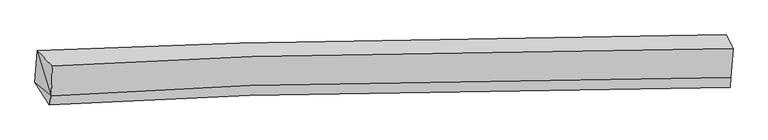
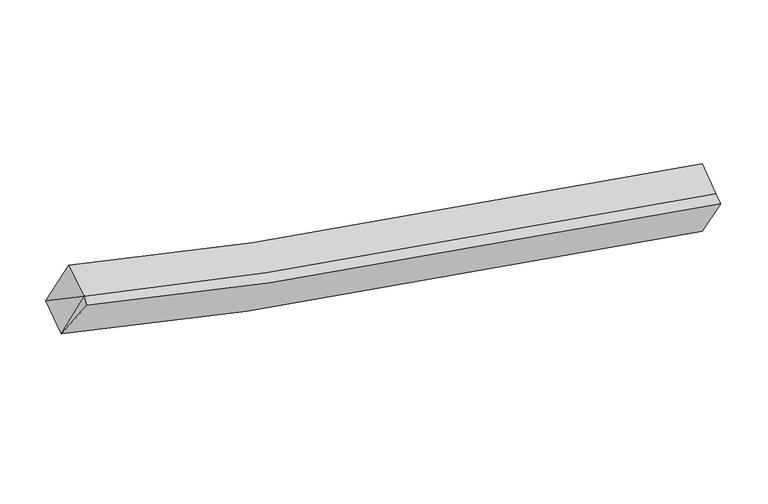
"""IFC4 building model written with IfcOpenShell, lengths in millimetres: proxy geometry."""

from ifc_helpers import new_model, si_unit, frame, origin, place, context, project, spatial, source, transform, mapped, element, save
from ifc_brep_helpers import plane_surface, spline_curve, spline_surface, advanced_brep


def generic_models_57127d8a(model_context):
    return source(origin(), model_context, "Body", "AdvancedBrep", [
        advanced_brep(
        [(-3597.4939919, -1777.6567492, 3744.004531), (-3382.5093015, -2004.3366296, 4380.1568507), (6438.6630733, -1748.2958222, 2423.427513), (6341.5614623, -1548.824886, 1743.374915), (-3395.2334118, -2434.9908765, 4140.420712), (6406.2677268, -2167.0736716, 2202.4357537), (-3425.8516734, -2564.6277578, 4084.4876259), (6395.3468142, -2308.249389, 2127.9364215), (-3633.2689148, -2240.1227156, 3499.958272), (6308.2973273, -1978.8336489, 1516.4565305)],
        [
            (0, 1),
            (1, 2, spline_curve(3, [(-3382.5093015, -2004.3366296, 4380.1568507), (-2426.016511949, -1949.203167294, 4116.105109193), (-1465.12073832, -1902.914661866, 3872.979285842), (1788.268069768, -1776.717024641, 3124.089184757), (4101.096421071, -1737.658594676, 2714.97189564), (6438.6630733, -1748.2958222, 2423.427513)], [4, 2, 4], [0.0, 9.820952923090468, 33.099989051019854])),
            (2, 3),
            (3, 0, spline_curve(3, [(6341.5614623, -1548.824886, 1743.374915), (3975.358910009, -1555.900769406, 2029.239705564), (1634.598233533, -1595.728723331, 2443.909856823), (-1657.506584685, -1698.928786064, 3216.66665757), (-2629.764392433, -1735.37812041, 3468.873045095), (-3597.4939919, -1777.6567492, 3744.004531)], [4, 2, 4], [0.0, 23.279036127929388, 33.099989051019854])),
            (1, 4),
            (4, 5, spline_curve(3, [(-3395.2334118, -2434.9908765, 4140.420712), (-2447.243223207, -2374.724017175, 3884.470951251), (-1492.904528096, -2324.476712516, 3647.593254199), (1744.941747788, -2188.895359514, 2913.513362221), (4057.770099313, -2149.836929457, 2504.396072719), (6406.2677268, -2167.0736716, 2202.4357537)], [4, 2, 4], [0.0, 9.749250035478658, 32.85832565914092])),
            (5, 2),
            (4, 6),
            (6, 7, spline_curve(3, [(-3425.8516734, -2564.6277578, 4084.4876259), (-2469.347597198, -2509.348389611, 3820.512879686), (-1508.443118939, -2462.947363486, 3577.446434071), (1744.966320772, -2336.483014701, 2828.697079124), (4057.794672301, -2297.424583732, 2419.57978998), (6395.3468142, -2308.249389, 2127.9364215)], [4, 2, 4], [0.0, 9.749249056485565, 32.858322359597494])),
            (7, 5),
            (6, 8),
            (8, 9, spline_curve(3, [(-3633.2689148, -2240.1227156, 3499.958272), (-2664.454064221, -2183.814940555, 3232.230056487), (-1691.359327181, -2136.546538584, 2985.73296039), (1602.729300738, -2007.701564224, 2226.509144354), (3943.4899778, -1967.87361008, 1811.838993121), (6308.2973273, -1978.8336489, 1516.4565305)], [4, 2, 4], [0.0, 9.820715937605488, 33.09919032842954])),
            (9, 7),
            (8, 0),
            (3, 9),
            (0, 4),
            (4, 8),
        ],
        [
            spline_surface(3, 3, [[(-3597.4939919, -1777.6567492, 3744.004531), (-2629.764392329, -1735.378120255, 3468.873045121), (-1657.506584561, -1698.928786158, 3216.666657598), (1634.598233241, -1595.728723108, 2443.909856756), (3975.358910226, -1555.900769492, 2029.239705648), (6341.5614623, -1548.824886, 1743.374915)], [(-3525.832428439, -1853.216709346, 3956.055304235), (-2561.848432246, -1806.653135948, 3684.617066443), (-1593.377969138, -1766.92407803, 3435.437533649), (1685.821512116, -1656.05815697, 2670.636299453), (4017.271413839, -1616.486711153, 2257.817102321), (6373.928665997, -1615.315198079, 1970.05911435)], [(-3454.170864961, -1928.776669454, 4168.106077465), (-2493.932472146, -1877.928151603, 3900.36108776), (-1529.249353764, -1834.919369951, 3654.208409737), (1737.044790941, -1716.387590882, 2897.362742188), (4059.183917362, -1677.072652778, 2486.394498944), (6406.295869603, -1681.805510121, 2196.74331365)], [(-3382.5093015, -2004.3366296, 4380.1568507), (-2426.016512064, -1949.203167295, 4116.105109082), (-1465.120738341, -1902.914661823, 3872.979285787), (1788.268069816, -1776.717024744, 3124.089184885), (4101.096420975, -1737.658594439, 2714.971895617), (6438.6630733, -1748.2958222, 2423.427513)]], [4, 4], [4, 2, 4], [0.0, 2.355822470529975], [0.0, 9.820952923090468, 33.099989051019854]),
            spline_surface(3, 3, [[(-3382.5093015, -2004.3366296, 4380.1568507), (-2426.016512064, -1949.203167295, 4116.105109082), (-1465.120738341, -1902.914661823, 3872.979285787), (1788.268069816, -1776.717024744, 3124.089184885), (4101.096420975, -1737.658594439, 2714.971895617), (6438.6630733, -1748.2958222, 2423.427513)], [(-3386.750671584, -2147.88804521, 4300.244804472), (-2433.092082458, -2091.043450539, 4038.893723093), (-1474.38200166, -2043.435345356, 3797.850608618), (1773.825962543, -1914.109803118, 3053.897243919), (4086.654313701, -1875.051372813, 2644.779954651), (6427.86462444, -1887.88843868, 2349.763593229)], [(-3390.992041716, -2291.43946089, 4220.332758228), (-2440.167652899, -2232.883733853, 3961.68233709), (-1483.643264898, -2183.956028851, 3722.721931462), (1759.38385535, -2051.502581452, 2983.705302966), (4072.212206509, -2012.444151147, 2574.588013698), (6417.06617566, -2027.48105512, 2276.099673471)], [(-3395.2334118, -2434.9908765, 4140.420712), (-2447.243223293, -2374.724017097, 3884.470951102), (-1492.904528218, -2324.476712385, 3647.593254293), (1744.941748077, -2188.895359826, 2913.513362), (4057.770099236, -2149.836929521, 2504.396072732), (6406.2677268, -2167.0736716, 2202.4357537)]], [4, 4], [4, 2, 4], [0.0, 1.5372951610254701], [0.0, 9.749250035478658, 32.85832565914092]),
            spline_surface(3, 3, [[(-3395.2334118, -2434.9908765, 4140.420712), (-2447.243223293, -2374.724017097, 3884.470951102), (-1492.904528218, -2324.476712385, 3647.593254293), (1744.941748077, -2188.895359826, 2913.513362), (4057.770099236, -2149.836929521, 2504.396072732), (6406.2677268, -2167.0736716, 2202.4357537)], [(-3405.439499006, -2478.203170269, 4121.77634994), (-2454.611347915, -2419.598807928, 3863.151593964), (-1498.084058504, -2370.633596107, 3624.210980924), (1744.949939086, -2238.091244648, 2885.241267672), (4057.778290244, -2199.032814343, 2476.123978404), (6402.627422601, -2214.132244042, 2177.60264295)], [(-3415.645586194, -2521.415464031, 4103.13198796), (-2461.979472517, -2464.473598754, 3841.832236905), (-1503.263588792, -2416.790479905, 3600.828707506), (1744.958130092, -2287.287129544, 2856.969173293), (4057.786481251, -2248.228699239, 2447.851884126), (6398.987118399, -2261.190816558, 2152.76953225)], [(-3425.8516734, -2564.6277578, 4084.4876259), (-2469.347597138, -2509.348389585, 3820.512879767), (-1508.443119077, -2462.947363627, 3577.446434138), (1744.966321101, -2336.483014367, 2828.697078966), (4057.794672259, -2297.424584062, 2419.579789798), (6395.3468142, -2308.249389, 2127.9364215)]], [4, 4], [4, 2, 4], [0.0, 0.5452326373652756], [0.0, 9.749249056485565, 32.858322359597494]),
            spline_surface(3, 3, [[(-3425.8516734, -2564.6277578, 4084.4876259), (-2469.347597138, -2509.348389585, 3820.512879767), (-1508.443119077, -2462.947363627, 3577.446434138), (1744.966321101, -2336.483014367, 2828.697078966), (4057.794672259, -2297.424584062, 2419.579789798), (6395.3468142, -2308.249389, 2127.9364215)], [(-3494.990753859, -2456.459410397, 3889.644507936), (-2534.383086186, -2400.837239916, 3624.418605366), (-1569.415188444, -2354.147088664, 3380.208609595), (1697.553981035, -2226.889197583, 2627.967767368), (4019.693107456, -2187.57425948, 2216.999524223), (6366.330318571, -2198.44414232, 1924.10979118)], [(-3564.129834341, -2348.291063003, 3694.801389964), (-2599.418575255, -2292.326090254, 3428.324330957), (-1630.387257862, -2245.346813655, 3182.970785022), (1650.141640917, -2117.295380754, 2427.238455739), (3981.59154264, -2077.723934837, 2014.419258607), (6337.313822929, -2088.63889558, 1720.28316082)], [(-3633.2689148, -2240.1227156, 3499.958272), (-2664.454064303, -2183.814940585, 3232.230056556), (-1691.359327229, -2136.546538691, 2985.732960479), (1602.729300851, -2007.701563971, 2226.509144141), (3943.489977836, -1967.873610256, 1811.838993033), (6308.2973273, -1978.8336489, 1516.4565305)]], [4, 4], [4, 2, 4], [0.0, 2.296786781696103], [0.0, 9.820715937605488, 33.09919032842954]),
            spline_surface(3, 3, [[(-3633.2689148, -2240.1227156, 3499.958272), (-2664.454064303, -2183.814940585, 3232.230056556), (-1691.359327229, -2136.546538691, 2985.732960479), (1602.729300851, -2007.701563971, 2226.509144141), (3943.489977836, -1967.873610256, 1811.838993033), (6308.2973273, -1978.8336489, 1516.4565305)], [(-3621.343940511, -2085.967393478, 3581.307025017), (-2652.890840322, -2034.336000486, 3311.111052762), (-1680.075079681, -1990.673954526, 3062.710859509), (1613.352278306, -1870.377283696, 2298.976048337), (3954.112955291, -1830.549329981, 1884.305897228), (6319.385372292, -1835.49739458, 1592.09599199)], [(-3609.418966189, -1931.812071322, 3662.655777983), (-2641.32761631, -1884.857060354, 3389.992048915), (-1668.790832109, -1844.801370323, 3139.688758568), (1623.975255785, -1733.053003382, 2371.442952561), (3964.73593277, -1693.225049767, 1956.772801452), (6330.473417308, -1692.16114032, 1667.73545351)], [(-3597.4939919, -1777.6567492, 3744.004531), (-2629.764392329, -1735.378120255, 3468.873045121), (-1657.506584561, -1698.928786158, 3216.666657598), (1634.598233241, -1595.728723108, 2443.909856756), (3975.358910226, -1555.900769492, 2029.239705648), (6341.5614623, -1548.824886, 1743.374915)]], [4, 4], [4, 2, 4], [0.0, 1.5575584988504656], [0.0, 9.881084189388158, 33.30265209926621]),
            plane_surface(frame((6370.9671693, -1896.0509365, 1952.798845), z_axis=(0.9898871866224588, -0.0017213374880671317, -0.14184637731689131), x_axis=(-0.124356409839499, 0.47059391434180925, -0.8735427013697067))),
            plane_surface(frame((-3458.4122351, -2072.3280851, 4088.1940313), z_axis=(-0.9525661130690194, -0.12605457976054626, 0.27699827283572087), x_axis=(0.02580693178125842, 0.8734492666531867, 0.4862307897028405))),
            plane_surface(frame((-3484.7846667, -2413.2471166, 3908.28887), z_axis=(-0.9291975821872362, 0.06228263651273226, 0.3642975795231385), x_axis=(0.2963103448258591, -0.4635786317256523, 0.8350419341305876))),
            plane_surface(frame((-3541.9987728, -2150.9234471, 3794.794505), z_axis=(-0.9422104358042829, -0.09642558151285079, 0.32084513692965944), x_axis=(0.33501990055723874, -0.27426459946079496, 0.9014103370348199))),
        ],
        [
            (0, [[1, 2, 3, 4]]),
            (1, [[5, 6, 7, -2]]),
            (2, [[8, 9, 10, -6]]),
            (3, [[11, 12, 13, -9]]),
            (4, [[14, -4, 15, -12]]),
            (5, [[-13, -15, -3, -7, -10]]),
            (6, [[-5, -1, 16]]),
            (7, [[-11, -8, 17]]),
            (8, [[-17, -16, -14]]),
        ],
    ),
    ])


if __name__ == "__main__":
    model = new_model("IFC4")
    model_context = context("Model", 3, world=origin())
    ifc_project = project(units=[si_unit("LENGTHUNIT", "METRE", prefix="MILLI")], contexts=[model_context])
    site = spatial("IfcSite", under=ifc_project)
    building = spatial("IfcBuilding", under=site)
    placement = place(None, origin())
    generic_models_shape = generic_models_57127d8a(model_context)
    element("IfcBuildingElementProxy", 1, Name="Generic Models", at=placement, inside=building, context=model_context, shape_type="MappedRepresentation", body=[
        mapped(generic_models_shape, transform((0.0, 0.0, 0.0), x_axis=(1.0, 0.0, 0.0), y_axis=(0.0, 1.0, 0.0), z_axis=(0.0, 0.0, 1.0))),
    ])
    save(model, "model.ifc")
